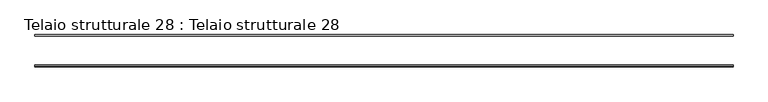
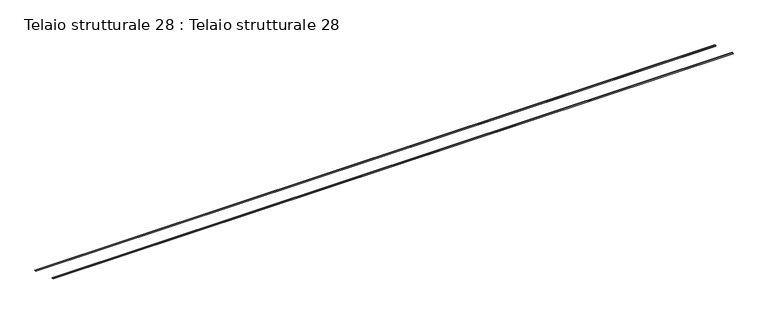
"""IFC4 building model written with IfcOpenShell, lengths in millimetres: beam geometry, Telaio strutturale 28 : Telaio strutturale 28."""

from ifc_helpers import new_model, si_unit, frame, origin, place, context, project, spatial, polyline, outline, extrude, source, transform, mapped, element, save


def telaio_strutturale_28_telaio_strutturale_28_78870a72(model_context):
    return source(origin(), model_context, "Body", "SweptSolid", [
        extrude(outline(polyline([(0.0, -165.0), (0.0, 0.0), (72090.8055355, 0.0), (72090.8055355, -165.0), (0.0, -165.0)])), frame((-36033.8562192, 3168.6550805, -60.4102702), z_axis=(0.0, 0.3420201433256692, 0.9396926207859082), x_axis=(1.0, 0.0, 0.0)), (0.0, 0.0, 1.0), 75.0),
        extrude(outline(polyline([(0.0, -145.5446942), (0.0, 0.0), (72090.8055355, 0.0), (72090.8055355, -145.5446942), (0.0, -145.5446942)])), frame((-36033.8562192, 6324.2402822, -1132.2250591), z_axis=(0.0, 0.3420201433256673, 0.9396926207859089), x_axis=(1.0, 0.0, 0.0)), (0.0, 0.0, 1.0), 75.0),
    ])


if __name__ == "__main__":
    model = new_model("IFC4")
    model_context = context("Model", 3, world=origin())
    ifc_project = project(units=[si_unit("LENGTHUNIT", "METRE", prefix="MILLI")], contexts=[model_context])
    site = spatial("IfcSite", under=ifc_project)
    building = spatial("IfcBuilding", under=site)
    placement = place(None, origin())
    telaio_strutturale_28_telaio_strutturale_28_shape = telaio_strutturale_28_telaio_strutturale_28_78870a72(model_context)
    element("IfcBeam", 1, ObjectType="Telaio strutturale 28 : Telaio strutturale 28", at=placement, inside=building, context=model_context, shape_type="MappedRepresentation", body=[
        mapped(telaio_strutturale_28_telaio_strutturale_28_shape, transform((0.0, 0.0, 0.0), x_axis=(1.0, 0.0, 0.0), y_axis=(0.0, 1.0, 0.0), z_axis=(0.0, 0.0, 1.0))),
    ])
    save(model, "model.ifc")
